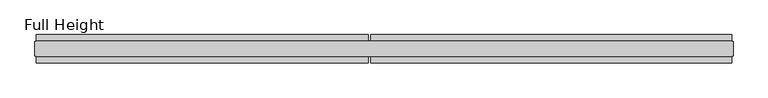
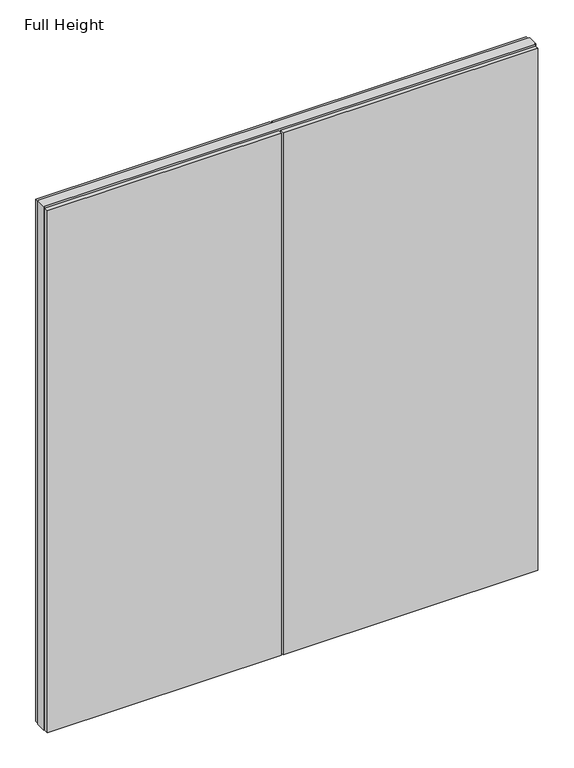
"""IFC4 building model written with IfcOpenShell, lengths in millimetres: plate geometry, Full Height."""

from ifc_helpers import new_model, si_unit, origin, origin_with_axes, place, context, project, spatial, polyline, outline, extrude, source, transform, mapped, element, save


def full_height_3dd3cb55(model_context):
    return source(origin(), model_context, "Body", "SweptSolid", [
        extrude(outline(polyline([(1214.628, 28.956), (-46.228, 28.956), (-46.228, 49.53), (1214.628, 49.53), (1214.628, 28.956)])), origin_with_axes(), (0.0, 0.0, 1.0), 2734.056),
        extrude(outline(polyline([(-1214.628, 49.53), (-55.372, 49.53), (-55.372, 28.956), (-1214.628, 28.956), (-1214.628, 49.53)])), origin_with_axes(), (0.0, 0.0, 1.0), 2734.056),
        extrude(outline(polyline([(1214.628, -28.956), (1214.628, -49.53), (-46.228, -49.53), (-46.228, -28.956), (1214.628, -28.956)])), origin_with_axes(), (0.0, 0.0, 1.0), 2734.056),
        extrude(outline(polyline([(-1214.628, -49.53), (-1214.628, -28.956), (-55.372, -28.956), (-55.372, -49.53), (-1214.628, -49.53)])), origin_with_axes(), (0.0, 0.0, 1.0), 2734.056),
        extrude(outline(polyline([(1214.628, -25.146), (1214.628, -26.67), (-1214.628, -26.67), (-1214.628, -25.146), (-1219.2, -25.146), (-1219.2, 25.146), (-1214.628, 25.146), (-1214.628, 26.67), (1214.628, 26.67), (1214.628, 25.146), (1219.2, 25.146), (1219.2, -25.146), (1214.628, -25.146)])), origin_with_axes(), (0.0, 0.0, 1.0), 2743.2),
    ])


if __name__ == "__main__":
    model = new_model("IFC4")
    model_context = context("Model", 3, world=origin())
    ifc_project = project(units=[si_unit("LENGTHUNIT", "METRE", prefix="MILLI")], contexts=[model_context])
    site = spatial("IfcSite", under=ifc_project)
    building = spatial("IfcBuilding", under=site)
    placement = place(None, origin())
    full_height_shape = full_height_3dd3cb55(model_context)
    element("IfcPlate", 1, ObjectType="Full Height", at=placement, inside=building, context=model_context, shape_type="MappedRepresentation", body=[
        mapped(full_height_shape, transform((0.0, 0.0, 0.0), x_axis=(1.0, 0.0, 0.0), y_axis=(0.0, 1.0, 0.0), z_axis=(0.0, 0.0, 1.0))),
    ])
    save(model, "model.ifc")
